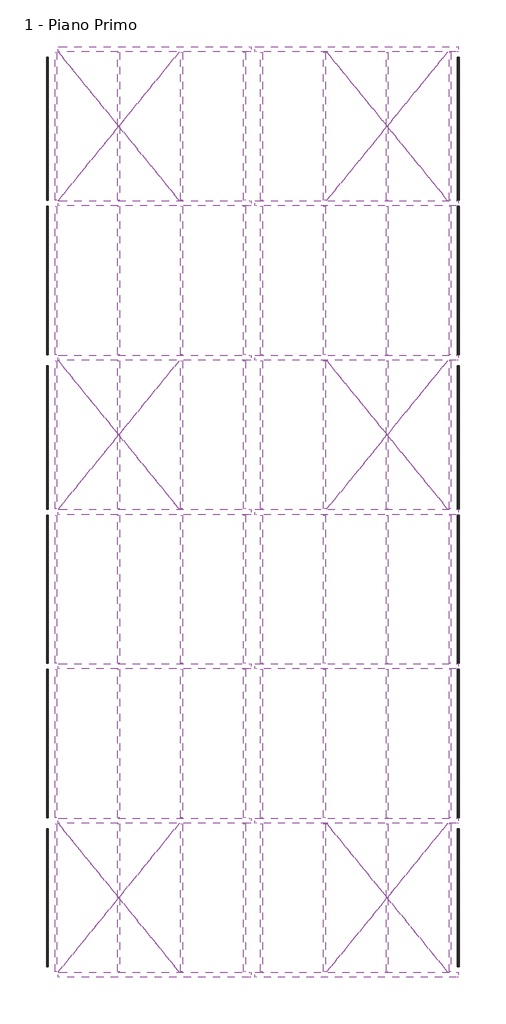
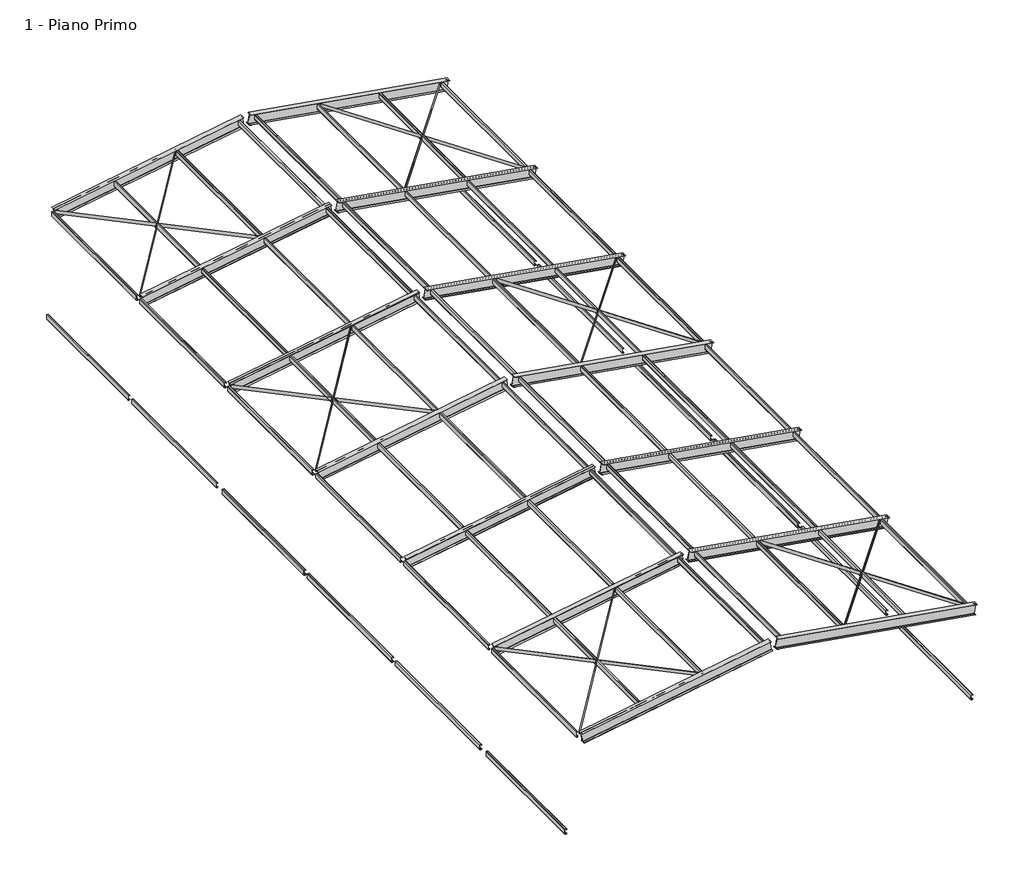
# One storey: 86 beams.
"""IFC4 building model written with IfcOpenShell, lengths in millimetres."""

import ifcopenshell
import ifcopenshell.guid

model = None  # the IFC model being written
_history = None  # IfcOwnerHistory: only IFC2X3 demands one
_inside = {}  # id of a spatial element -> (the spatial element, [elements in it])
_under = {}  # id of a project, library or spatial element -> (it, [spatial elements below it])
_declared = {}  # id of a project -> (the project, [libraries it declares])
_typed = {}  # id of a type object -> (the type object, [elements of that type])
_made_of = {}  # id of a material, layer set ... -> (it, [elements and type objects made of it])


def new_model(schema):
    """Start an empty IFC model of exactly this schema.

    Asked for "IFC4X3", IfcOpenShell would pick the latest addendum, in which some entities
    have other attributes; the version numbers below select the first issue.
    IFC2X3 requires an IfcOwnerHistory on every rooted entity: one is made here for all.
    """
    global model, _history
    if schema == "IFC4X3":
        model = ifcopenshell.file(schema_version=(4, 3, 0, 0))
    else:
        model = ifcopenshell.file(schema=schema)
    _inside.clear()
    _under.clear()
    _declared.clear()
    _typed.clear()
    _made_of.clear()
    _history = None
    if model.schema == "IFC2X3":
        org = make("IfcOrganization", Name="unknown")
        user = make(
            "IfcPersonAndOrganization",
            ThePerson=make("IfcPerson", FamilyName="unknown"),
            TheOrganization=org,
        )
        app = make(
            "IfcApplication",
            ApplicationDeveloper=org,
            Version="unknown",
            ApplicationFullName="unknown",
            ApplicationIdentifier="unknown",
        )
        _history = make(
            "IfcOwnerHistory",
            OwningUser=user,
            OwningApplication=app,
            ChangeAction="ADDED",
            CreationDate=0,
        )
    return model


def make(cls, **values):
    """One entity of the class cls with the attributes given. An attribute that is None is left unset."""
    return model.create_entity(
        cls, **{name: value for name, value in values.items() if value is not None}
    )


def rooted(cls, **values):
    """An entity with a GlobalId (a new one), such as an element, a storey or a relation."""
    return make(cls, GlobalId=ifcopenshell.guid.new(), OwnerHistory=_history, **values)


def si_unit(unit_type, name, prefix=None):
    """IfcSIUnit, for example si_unit("LENGTHUNIT", "METRE", prefix="MILLI")."""
    return make("IfcSIUnit", UnitType=unit_type, Prefix=prefix, Name=name)


def assignment(units):
    """IfcUnitAssignment: the units of a project."""
    return None if units is None else make("IfcUnitAssignment", Units=units)


def point(xyz):
    """IfcCartesianPoint."""
    return None if xyz is None else make("IfcCartesianPoint", Coordinates=xyz)


def direction(xyz):
    """IfcDirection."""
    return None if xyz is None else make("IfcDirection", DirectionRatios=xyz)


def frame(location, z_axis=None, x_axis=None):
    """IfcAxis2Placement3D, a coordinate frame: its origin and axes. An axis left out is left unset."""
    return make(
        "IfcAxis2Placement3D",
        Location=point(location),
        Axis=direction(z_axis),
        RefDirection=direction(x_axis),
    )


def frame_2d(location, x_axis=None):
    """IfcAxis2Placement2D, a coordinate frame in the plane: its origin and x axis."""
    return make(
        "IfcAxis2Placement2D", Location=point(location), RefDirection=direction(x_axis)
    )


def origin():
    """The frame at (0, 0, 0) with its axes left unset."""
    return frame((0.0, 0.0, 0.0))


def place(relative_to, where):
    """IfcLocalPlacement: puts the frame where relative to a parent placement (None: the world)."""
    return make(
        "IfcLocalPlacement", PlacementRelTo=relative_to, RelativePlacement=where
    )


def context(
    kind, dimensions, precision=None, world=None, true_north=None, identifier=None
):
    """IfcGeometricRepresentationContext, for example the 3D "Model" context."""
    return make(
        "IfcGeometricRepresentationContext",
        ContextIdentifier=identifier,
        ContextType=kind,
        CoordinateSpaceDimension=dimensions,
        Precision=precision,
        WorldCoordinateSystem=world,
        TrueNorth=true_north,
    )


def project(units=None, contexts=None):
    """IfcProject with its units and contexts."""
    return rooted(
        "IfcProject",
        Name="project",
        RepresentationContexts=contexts,
        UnitsInContext=assignment(units),
    )


def spatial(cls, under=None, at=None, **own):
    """A site, building, storey or space (cls), placed at a placement, below another one or the project."""
    s = rooted(cls, ObjectPlacement=at, **own)
    if under is not None:
        _under.setdefault(under.id(), (under, []))[1].append(s)
    return s


def polyline(points):
    """IfcPolyline through the points."""
    return make("IfcPolyline", Points=[point(p) for p in points])


def circle_curve(where, radius):
    """IfcCircle in the frame where."""
    return make("IfcCircle", Position=where, Radius=radius)


def trimmed(basis, trim1, trim2, sense, master):
    """IfcTrimmedCurve: the piece of a basis curve between two trims."""
    return make(
        "IfcTrimmedCurve",
        BasisCurve=basis,
        Trim1=trim1,
        Trim2=trim2,
        SenseAgreement=sense,
        MasterRepresentation=master,
    )


def segment(curve, same_sense, transition):
    """IfcCompositeCurveSegment."""
    return make(
        "IfcCompositeCurveSegment",
        Transition=transition,
        SameSense=same_sense,
        ParentCurve=curve,
    )


def composite_curve(segments, self_intersect=None):
    """IfcCompositeCurve: segments joined end to end."""
    return make("IfcCompositeCurve", Segments=segments, SelfIntersect=self_intersect)


def outline(outer, holes=None, kind="AREA"):
    """IfcArbitraryClosedProfileDef: a profile drawn as a closed curve; with holes, ...WithVoids."""
    if holes is None:
        return make("IfcArbitraryClosedProfileDef", ProfileType=kind, OuterCurve=outer)
    return make(
        "IfcArbitraryProfileDefWithVoids",
        ProfileType=kind,
        OuterCurve=outer,
        InnerCurves=holes,
    )


def extrude(swept, where, along, depth):
    """IfcExtrudedAreaSolid: the profile swept, set in the frame where, extruded along a direction by depth."""
    return make(
        "IfcExtrudedAreaSolid",
        SweptArea=swept,
        Position=where,
        ExtrudedDirection=direction(along),
        Depth=depth,
    )


def shape(context_of_items, identifier, shape_type, items):
    """IfcShapeRepresentation: the items that make up one representation, for example the "Body"."""
    return make(
        "IfcShapeRepresentation",
        ContextOfItems=context_of_items,
        RepresentationIdentifier=identifier,
        RepresentationType=shape_type,
        Items=items,
    )


def source(mapping_origin, context_of_items, identifier, shape_type, items):
    """IfcRepresentationMap: a shape defined once, which mapped items show again and again."""
    return make(
        "IfcRepresentationMap",
        MappingOrigin=mapping_origin,
        MappedRepresentation=shape(context_of_items, identifier, shape_type, items),
    )


def transform(
    local_origin,
    x_axis=None,
    y_axis=None,
    z_axis=None,
    scale=None,
    scale2=None,
    scale3=None,
    uniform=True,
):
    """IfcCartesianTransformationOperator3D, or its non-uniform kind. x_axis, y_axis, z_axis: its Axis1, 2, 3."""
    if uniform:
        return make(
            "IfcCartesianTransformationOperator3D",
            Axis1=direction(x_axis),
            Axis2=direction(y_axis),
            LocalOrigin=point(local_origin),
            Scale=scale,
            Axis3=direction(z_axis),
        )
    return make(
        "IfcCartesianTransformationOperator3DnonUniform",
        Axis1=direction(x_axis),
        Axis2=direction(y_axis),
        LocalOrigin=point(local_origin),
        Scale=scale,
        Axis3=direction(z_axis),
        Scale2=scale2,
        Scale3=scale3,
    )


def mapped(mapping_source, mapping_target):
    """IfcMappedItem: shows the shape of a source again, moved by a transform."""
    return make(
        "IfcMappedItem", MappingSource=mapping_source, MappingTarget=mapping_target
    )


def made_of(thing, what):
    """Note that an element or type object is made of a material, layer set ...; save() writes the relation."""
    if what is not None:
        _made_of.setdefault(what.id(), (what, []))[1].append(thing)
    return thing


def element(
    cls,
    number,
    at=None,
    inside=None,
    cuts=None,
    type_object=None,
    material=None,
    context=None,
    identifier="Body",
    shape_type=None,
    held_by="IfcProductDefinitionShape",
    body=None,
    shapes=None,
    **own,
):
    """One element of the class cls, such as IfcWall. Its Tag is "e" and its number.

    at: its placement. inside: the storey or other place that contains it. cuts: it is an
    opening in that element (IfcRelVoidsElement). A single representation is given by context,
    identifier, shape_type and body (its items); several are given by shapes. held_by: the class
    of the entity that holds the representations. save() writes the other relations.
    """
    e = rooted(cls, Tag="e%d" % number, ObjectPlacement=at, **own)
    if body is not None:
        shapes = [shape(context, identifier, shape_type, body)]
    if shapes is not None:
        e.Representation = make(held_by, Representations=shapes)
    if inside is not None:
        _inside.setdefault(inside.id(), (inside, []))[1].append(e)
    if cuts is not None:
        rooted(
            "IfcRelVoidsElement", RelatingBuildingElement=cuts, RelatedOpeningElement=e
        )
    if type_object is not None:
        _typed.setdefault(type_object.id(), (type_object, []))[1].append(e)
    return made_of(e, material)


def aggregate(whole, parts):
    """IfcRelAggregates: a whole, such as a stair, and the parts it consists of."""
    return rooted("IfcRelAggregates", RelatingObject=whole, RelatedObjects=parts)


def save(model, path):
    """Write the relations noted so far, then the file.

    IfcRelAggregates (storeys below a building ...), IfcRelContainedInSpatialStructure (elements
    in a storey), IfcRelDefinesByType, IfcRelAssociatesMaterial and IfcRelDeclares: one each for
    every whole, place, type object, material and project.
    """
    for whole, parts in _under.values():
        aggregate(whole, parts)
    for where, things in _inside.values():
        rooted(
            "IfcRelContainedInSpatialStructure",
            RelatedElements=things,
            RelatingStructure=where,
        )
    for kind, things in _typed.values():
        rooted("IfcRelDefinesByType", RelatedObjects=things, RelatingType=kind)
    for what, things in _made_of.values():
        rooted("IfcRelAssociatesMaterial", RelatedObjects=things, RelatingMaterial=what)
    for by, libraries in _declared.values():
        rooted("IfcRelDeclares", RelatingContext=by, RelatedDefinitions=libraries)
    model.write(path)


def beam_6x100_4b6457b3(model_context):
    return source(origin(), model_context, "Body", "SweptSolid", [
        extrude(outline(polyline([(2796.8253408, 3.0), (2796.8253408, -3.0), (-2807.3610437, -3.0), (-2807.3610437, 3.0), (2796.8253408, 3.0)])), frame((0.0, 0.0, -50.0), z_axis=(0.0, 0.0, 1.0), x_axis=(1.0, 0.0, 0.0)), (0.0, 0.0, 1.0), 100.0),
    ])


def beam_6x100_2a36a9b2(model_context):
    return source(origin(), model_context, "Body", "SweptSolid", [
        extrude(outline(polyline([(2807.3610437, 3.0), (2807.3610437, -3.0), (-2796.8253408, -3.0), (-2796.8253408, 3.0), (2807.3610437, 3.0)])), frame((0.0, 0.0, -50.0), z_axis=(0.0, 0.0, 1.0), x_axis=(1.0, 0.0, 0.0)), (0.0, 0.0, 1.0), 100.0),
    ])


def c150x2_0_f30c4271(model_context):
    return source(origin(), model_context, "Body", "SweptSolid", [
        extrude(outline(composite_curve([segment(polyline([(-25.5, 54.4545455), (-27.5, 54.4545455), (-27.5, 71.0)]), True, "CONTINUOUS"), segment(trimmed(circle_curve(frame_2d((-23.5, 71.0)), 4.0), [point((-27.5, 71.0))], [point((-23.5, 75.0))], False, "CARTESIAN"), True, "CONTINUOUS"), segment(polyline([(-23.5, 75.0), (23.5, 75.0)]), True, "CONTINUOUS"), segment(trimmed(circle_curve(frame_2d((23.5, 71.0)), 4.0), [point((23.5, 75.0))], [point((27.5, 71.0))], False, "CARTESIAN"), True, "CONTINUOUS"), segment(polyline([(27.5, 71.0), (27.5, -71.0)]), True, "CONTINUOUS"), segment(trimmed(circle_curve(frame_2d((23.5, -71.0)), 4.0), [point((27.5, -71.0))], [point((23.5, -75.0))], False, "CARTESIAN"), True, "CONTINUOUS"), segment(polyline([(23.5, -75.0), (-23.5, -75.0)]), True, "CONTINUOUS"), segment(trimmed(circle_curve(frame_2d((-23.5, -71.0)), 4.0), [point((-23.5, -75.0))], [point((-27.5, -71.0))], False, "CARTESIAN"), True, "CONTINUOUS"), segment(polyline([(-27.5, -71.0), (-27.5, -54.9772112), (-25.5, -54.9772112), (-25.5, -71.0)]), True, "CONTINUOUS"), segment(trimmed(circle_curve(frame_2d((-23.5, -71.0)), 2.0), [point((-25.5, -71.0))], [point((-23.5, -73.0))], True, "CARTESIAN"), True, "CONTINUOUS"), segment(polyline([(-23.5, -73.0), (23.5, -73.0)]), True, "CONTINUOUS"), segment(trimmed(circle_curve(frame_2d((23.5, -71.0)), 2.0), [point((23.5, -73.0))], [point((25.5, -71.0))], True, "CARTESIAN"), True, "CONTINUOUS"), segment(polyline([(25.5, -71.0), (25.5, 71.0)]), True, "CONTINUOUS"), segment(trimmed(circle_curve(frame_2d((23.5, 71.0)), 2.0), [point((25.5, 71.0))], [point((23.5, 73.0))], True, "CARTESIAN"), True, "CONTINUOUS"), segment(polyline([(23.5, 73.0), (-23.5, 73.0)]), True, "CONTINUOUS"), segment(trimmed(circle_curve(frame_2d((-23.5, 71.0)), 2.0), [point((-23.5, 73.0))], [point((-25.5, 71.0))], True, "CARTESIAN"), True, "CONTINUOUS"), segment(polyline([(-25.5, 71.0), (-25.5, 54.4545455)]), True, "CONTINUOUS")], self_intersect=False)), frame((-2162.3, 0.0, 0.0), z_axis=(1.0, 0.0, 0.0), x_axis=(0.0, 1.0, 0.0)), (0.0, 0.0, 1.0), 4324.6),
    ])


def c150x2_0_13958c4f(model_context):
    return source(origin(), model_context, "Body", "SweptSolid", [
        extrude(outline(composite_curve([segment(polyline([(-25.5, 54.4545455), (-27.5, 54.4545455), (-27.5, 71.0)]), True, "CONTINUOUS"), segment(trimmed(circle_curve(frame_2d((-23.5, 71.0)), 4.0), [point((-27.5, 71.0))], [point((-23.5, 75.0))], False, "CARTESIAN"), True, "CONTINUOUS"), segment(polyline([(-23.5, 75.0), (23.5, 75.0)]), True, "CONTINUOUS"), segment(trimmed(circle_curve(frame_2d((23.5, 71.0)), 4.0), [point((23.5, 75.0))], [point((27.5, 71.0))], False, "CARTESIAN"), True, "CONTINUOUS"), segment(polyline([(27.5, 71.0), (27.5, -71.0)]), True, "CONTINUOUS"), segment(trimmed(circle_curve(frame_2d((23.5, -71.0)), 4.0), [point((27.5, -71.0))], [point((23.5, -75.0))], False, "CARTESIAN"), True, "CONTINUOUS"), segment(polyline([(23.5, -75.0), (-23.5, -75.0)]), True, "CONTINUOUS"), segment(trimmed(circle_curve(frame_2d((-23.5, -71.0)), 4.0), [point((-23.5, -75.0))], [point((-27.5, -71.0))], False, "CARTESIAN"), True, "CONTINUOUS"), segment(polyline([(-27.5, -71.0), (-27.5, -54.9772112), (-25.5, -54.9772112), (-25.5, -71.0)]), True, "CONTINUOUS"), segment(trimmed(circle_curve(frame_2d((-23.5, -71.0)), 2.0), [point((-25.5, -71.0))], [point((-23.5, -73.0))], True, "CARTESIAN"), True, "CONTINUOUS"), segment(polyline([(-23.5, -73.0), (23.5, -73.0)]), True, "CONTINUOUS"), segment(trimmed(circle_curve(frame_2d((23.5, -71.0)), 2.0), [point((23.5, -73.0))], [point((25.5, -71.0))], True, "CARTESIAN"), True, "CONTINUOUS"), segment(polyline([(25.5, -71.0), (25.5, 71.0)]), True, "CONTINUOUS"), segment(trimmed(circle_curve(frame_2d((23.5, 71.0)), 2.0), [point((25.5, 71.0))], [point((23.5, 73.0))], True, "CARTESIAN"), True, "CONTINUOUS"), segment(polyline([(23.5, 73.0), (-23.5, 73.0)]), True, "CONTINUOUS"), segment(trimmed(circle_curve(frame_2d((-23.5, 71.0)), 2.0), [point((-23.5, 73.0))], [point((-25.5, 71.0))], True, "CARTESIAN"), True, "CONTINUOUS"), segment(polyline([(-25.5, 71.0), (-25.5, 54.4545455)]), True, "CONTINUOUS")], self_intersect=False)), frame((-2012.3, 0.0, 0.0), z_axis=(1.0, 0.0, 0.0), x_axis=(0.0, 1.0, 0.0)), (0.0, 0.0, 1.0), 4024.6),
    ])


def c150x2_0_06eb0d29(model_context):
    return source(origin(), model_context, "Body", "SweptSolid", [
        extrude(outline(composite_curve([segment(polyline([(-25.5, 54.4545455), (-27.5, 54.4545455), (-27.5, 71.0)]), True, "CONTINUOUS"), segment(trimmed(circle_curve(frame_2d((-23.5, 71.0)), 4.0), [point((-27.5, 71.0))], [point((-23.5, 75.0))], False, "CARTESIAN"), True, "CONTINUOUS"), segment(polyline([(-23.5, 75.0), (23.5, 75.0)]), True, "CONTINUOUS"), segment(trimmed(circle_curve(frame_2d((23.5, 71.0)), 4.0), [point((23.5, 75.0))], [point((27.5, 71.0))], False, "CARTESIAN"), True, "CONTINUOUS"), segment(polyline([(27.5, 71.0), (27.5, -71.0)]), True, "CONTINUOUS"), segment(trimmed(circle_curve(frame_2d((23.5, -71.0)), 4.0), [point((27.5, -71.0))], [point((23.5, -75.0))], False, "CARTESIAN"), True, "CONTINUOUS"), segment(polyline([(23.5, -75.0), (-23.5, -75.0)]), True, "CONTINUOUS"), segment(trimmed(circle_curve(frame_2d((-23.5, -71.0)), 4.0), [point((-23.5, -75.0))], [point((-27.5, -71.0))], False, "CARTESIAN"), True, "CONTINUOUS"), segment(polyline([(-27.5, -71.0), (-27.5, -54.9772112), (-25.5, -54.9772112), (-25.5, -71.0)]), True, "CONTINUOUS"), segment(trimmed(circle_curve(frame_2d((-23.5, -71.0)), 2.0), [point((-25.5, -71.0))], [point((-23.5, -73.0))], True, "CARTESIAN"), True, "CONTINUOUS"), segment(polyline([(-23.5, -73.0), (23.5, -73.0)]), True, "CONTINUOUS"), segment(trimmed(circle_curve(frame_2d((23.5, -71.0)), 2.0), [point((23.5, -73.0))], [point((25.5, -71.0))], True, "CARTESIAN"), True, "CONTINUOUS"), segment(polyline([(25.5, -71.0), (25.5, 71.0)]), True, "CONTINUOUS"), segment(trimmed(circle_curve(frame_2d((23.5, 71.0)), 2.0), [point((25.5, 71.0))], [point((23.5, 73.0))], True, "CARTESIAN"), True, "CONTINUOUS"), segment(polyline([(23.5, 73.0), (-23.5, 73.0)]), True, "CONTINUOUS"), segment(trimmed(circle_curve(frame_2d((-23.5, 71.0)), 2.0), [point((-23.5, 73.0))], [point((-25.5, 71.0))], True, "CARTESIAN"), True, "CONTINUOUS"), segment(polyline([(-25.5, 71.0), (-25.5, 54.4545455)]), True, "CONTINUOUS")], self_intersect=False)), frame((-2162.3, 0.0, 0.0), z_axis=(1.0, 0.0, 0.0), x_axis=(0.0, 1.0, 0.0)), (0.0, 0.0, 1.0), 4174.6),
    ])


def travi_ipe_ed_28d0e4d3(model_context):
    return source(origin(), model_context, "Body", "SweptSolid", [
        extrude(outline(composite_curve([segment(polyline([(75.0, -147.0), (75.0, -150.0), (-75.0, -150.0), (-75.0, -147.0), (-8.5, -147.0)]), True, "CONTINUOUS"), segment(trimmed(circle_curve(frame_2d((-8.5, -140.0)), 7.0), [point((-8.5, -147.0))], [point((-1.5, -140.0))], True, "CARTESIAN"), True, "CONTINUOUS"), segment(polyline([(-1.5, -140.0), (-1.5, 140.0)]), True, "CONTINUOUS"), segment(trimmed(circle_curve(frame_2d((-8.5, 140.0)), 7.0), [point((-1.5, 140.0))], [point((-8.5, 147.0))], True, "CARTESIAN"), True, "CONTINUOUS"), segment(polyline([(-8.5, 147.0), (-75.0, 147.0), (-75.0, 150.0), (75.0, 150.0), (75.0, 147.0), (8.5, 147.0)]), True, "CONTINUOUS"), segment(trimmed(circle_curve(frame_2d((8.5, 140.0)), 7.0), [point((8.5, 147.0))], [point((1.5, 140.0))], True, "CARTESIAN"), True, "CONTINUOUS"), segment(polyline([(1.5, 140.0), (1.5, -140.0)]), True, "CONTINUOUS"), segment(trimmed(circle_curve(frame_2d((8.5, -140.0)), 7.0), [point((1.5, -140.0))], [point((8.5, -147.0))], True, "CARTESIAN"), True, "CONTINUOUS"), segment(polyline([(8.5, -147.0), (75.0, -147.0)]), True, "CONTINUOUS")], self_intersect=False)), frame((-2724.5431386, 0.0, 0.0), z_axis=(1.0, 0.0, 0.0), x_axis=(0.0, 1.0, 0.0)), (0.0, 0.0, 1.0), 5655.9271065),
    ])


def travi_ipe_ed_ebf03dbe(model_context):
    return source(origin(), model_context, "Body", "SweptSolid", [
        extrude(outline(composite_curve([segment(polyline([(75.0, -147.0), (75.0, -150.0), (-75.0, -150.0), (-75.0, -147.0), (-8.5, -147.0)]), True, "CONTINUOUS"), segment(trimmed(circle_curve(frame_2d((-8.5, -140.0)), 7.0), [point((-8.5, -147.0))], [point((-1.5, -140.0))], True, "CARTESIAN"), True, "CONTINUOUS"), segment(polyline([(-1.5, -140.0), (-1.5, 140.0)]), True, "CONTINUOUS"), segment(trimmed(circle_curve(frame_2d((-8.5, 140.0)), 7.0), [point((-1.5, 140.0))], [point((-8.5, 147.0))], True, "CARTESIAN"), True, "CONTINUOUS"), segment(polyline([(-8.5, 147.0), (-75.0, 147.0), (-75.0, 150.0), (75.0, 150.0), (75.0, 147.0), (8.5, 147.0)]), True, "CONTINUOUS"), segment(trimmed(circle_curve(frame_2d((8.5, 140.0)), 7.0), [point((8.5, 147.0))], [point((1.5, 140.0))], True, "CARTESIAN"), True, "CONTINUOUS"), segment(polyline([(1.5, 140.0), (1.5, -140.0)]), True, "CONTINUOUS"), segment(trimmed(circle_curve(frame_2d((8.5, -140.0)), 7.0), [point((1.5, -140.0))], [point((8.5, -147.0))], True, "CARTESIAN"), True, "CONTINUOUS"), segment(polyline([(8.5, -147.0), (75.0, -147.0)]), True, "CONTINUOUS")], self_intersect=False)), frame((-3028.6812645, 0.0, 0.0), z_axis=(1.0, 0.0, 0.0), x_axis=(0.0, 1.0, 0.0)), (0.0, 0.0, 1.0), 5960.0652324),
    ])


model = new_model("IFC4")

# Units and contexts
model_context = context("Model", 3, world=origin())
ifc_project = project(units=[si_unit("LENGTHUNIT", "METRE", prefix="MILLI")], contexts=[model_context])

# Site, building, storey
site = spatial("IfcSite", under=ifc_project)
building = spatial("IfcBuilding", under=site)
storey = spatial("IfcBuildingStorey", under=building, Name="1 - Piano Primo", Elevation=3100.0)

# Beams
placement = place(None, origin())
beam_6x100_shape = beam_6x100_4b6457b3(model_context)
element("IfcBeam", 1, ObjectType="6x100", at=placement, inside=storey, context=model_context, shape_type="MappedRepresentation", body=[
    mapped(beam_6x100_shape, transform((2085.5111953, 2254.0593401, 6297.3084625), x_axis=(0.6286626909970081, 0.770587423389362, 0.1047771151661681), y_axis=(-0.7748524206542343, 0.6321421724630257, 0.0), z_axis=(-0.06623403320555013, -0.08118680131567282, 0.994495729572257))),
])
element("IfcBeam", 2, ObjectType="6x100", at=placement, inside=storey, context=model_context, shape_type="MappedRepresentation", body=[
    mapped(beam_6x100_shape, transform((9914.4888047, 2254.0593401, 6297.3084625), x_axis=(-0.6286626909970081, 0.7705874233893619, 0.10477711516616808), y_axis=(-0.7748524206542342, -0.6321421724630257, 0.0), z_axis=(0.06623403320555013, -0.08118680131567281, 0.994495729572257))),
])
element("IfcBeam", 3, ObjectType="6x100", at=placement, inside=storey, context=model_context, shape_type="MappedRepresentation", body=[
    mapped(beam_6x100_shape, transform((2085.5111953, 15754.0593401, 6297.3084625), x_axis=(0.6286626909970081, 0.770587423389362, 0.1047771151661681), y_axis=(-0.7748524206542343, 0.6321421724630257, 0.0), z_axis=(-0.06623403320555013, -0.08118680131567282, 0.994495729572257))),
])
element("IfcBeam", 4, ObjectType="6x100", at=placement, inside=storey, context=model_context, shape_type="MappedRepresentation", body=[
    mapped(beam_6x100_shape, transform((9914.4888047, 15754.0593401, 6297.3084625), x_axis=(-0.6286626909970081, 0.7705874233893619, 0.10477711516616808), y_axis=(-0.7748524206542342, -0.6321421724630257, 0.0), z_axis=(0.06623403320555013, -0.08118680131567281, 0.994495729572257))),
])
element("IfcBeam", 5, ObjectType="6x100", at=placement, inside=storey, context=model_context, shape_type="MappedRepresentation", body=[
    mapped(beam_6x100_shape, transform((2085.5111953, 24754.0593401, 6297.3084625), x_axis=(0.6286626909970081, 0.770587423389362, 0.1047771151661681), y_axis=(-0.7748524206542343, 0.6321421724630257, 0.0), z_axis=(-0.06623403320555013, -0.08118680131567282, 0.994495729572257))),
])
element("IfcBeam", 6, ObjectType="6x100", at=placement, inside=storey, context=model_context, shape_type="MappedRepresentation", body=[
    mapped(beam_6x100_shape, transform((9914.4888047, 24754.0593401, 6297.3084625), x_axis=(-0.6286626909970081, 0.7705874233893619, 0.10477711516616808), y_axis=(-0.7748524206542342, -0.6321421724630257, 0.0), z_axis=(0.06623403320555013, -0.08118680131567281, 0.994495729572257))),
])
beam_6x100_2_shape = beam_6x100_2a36a9b2(model_context)
element("IfcBeam", 7, ObjectType="6x100", at=placement, inside=storey, context=model_context, shape_type="MappedRepresentation", body=[
    mapped(beam_6x100_2_shape, transform((2085.5111953, 2245.9406599, 6297.3084625), x_axis=(-0.6286626909970081, 0.770587423389362, -0.1047771151661681), y_axis=(-0.7748524206542343, -0.6321421724630257, 0.0), z_axis=(-0.06623403320555013, 0.08118680131567282, 0.994495729572257))),
])
element("IfcBeam", 8, ObjectType="6x100", at=placement, inside=storey, context=model_context, shape_type="MappedRepresentation", body=[
    mapped(beam_6x100_2_shape, transform((9914.4888047, 2245.9406599, 6297.3084625), x_axis=(0.6286626909970081, 0.7705874233893619, -0.10477711516616808), y_axis=(-0.7748524206542342, 0.6321421724630257, 0.0), z_axis=(0.06623403320555013, 0.08118680131567278, 0.994495729572257))),
])
element("IfcBeam", 9, ObjectType="6x100", at=placement, inside=storey, context=model_context, shape_type="MappedRepresentation", body=[
    mapped(beam_6x100_2_shape, transform((2085.5111953, 15745.9406599, 6297.3084625), x_axis=(-0.6286626909970081, 0.770587423389362, -0.1047771151661681), y_axis=(-0.7748524206542343, -0.6321421724630257, 0.0), z_axis=(-0.06623403320555013, 0.08118680131567282, 0.994495729572257))),
])
element("IfcBeam", 10, ObjectType="6x100", at=placement, inside=storey, context=model_context, shape_type="MappedRepresentation", body=[
    mapped(beam_6x100_2_shape, transform((9914.4888047, 15745.9406599, 6297.3084625), x_axis=(0.6286626909970081, 0.7705874233893619, -0.10477711516616808), y_axis=(-0.7748524206542342, 0.6321421724630257, 0.0), z_axis=(0.06623403320555014, 0.0811868013156728, 0.994495729572257))),
])
element("IfcBeam", 11, ObjectType="6x100", at=placement, inside=storey, context=model_context, shape_type="MappedRepresentation", body=[
    mapped(beam_6x100_2_shape, transform((2085.5111953, 24745.9406599, 6297.3084625), x_axis=(-0.6286626909970081, 0.770587423389362, -0.1047771151661681), y_axis=(-0.7748524206542343, -0.6321421724630257, 0.0), z_axis=(-0.06623403320555013, 0.08118680131567282, 0.994495729572257))),
])
element("IfcBeam", 12, ObjectType="6x100", at=placement, inside=storey, context=model_context, shape_type="MappedRepresentation", body=[
    mapped(beam_6x100_2_shape, transform((9914.4888047, 24745.9406599, 6297.3084625), x_axis=(0.6286626909970081, 0.7705874233893619, -0.10477711516616808), y_axis=(-0.7748524206542342, 0.6321421724630257, 0.0), z_axis=(0.06623403320555014, 0.0811868013156728, 0.994495729572257))),
])
c150x2_0_shape = c150x2_0_f30c4271(model_context)
element("IfcBeam", 13, ObjectType="C150X2.0", at=placement, inside=storey, context=model_context, shape_type="MappedRepresentation", body=[
    mapped(c150x2_0_shape, transform((246.598481, 2250.0, 5966.0997468), x_axis=(0.0, 1.0, 0.0), y_axis=(-1.0, 0.0, 0.0), z_axis=(0.0, 0.0, 1.0))),
])
element("IfcBeam", 14, ObjectType="C150X2.0", at=placement, inside=storey, context=model_context, shape_type="MappedRepresentation", body=[
    mapped(c150x2_0_shape, transform((2082.1994937, 2250.0, 6272.0332489), x_axis=(0.0, 1.0, 0.0), y_axis=(-1.0, 0.0, 0.0), z_axis=(0.0, 0.0, 1.0))),
])
element("IfcBeam", 15, ObjectType="C150X2.0", at=placement, inside=storey, context=model_context, shape_type="MappedRepresentation", body=[
    mapped(c150x2_0_shape, transform((3917.8005063, 2250.0, 6577.9667511), x_axis=(0.0, 1.0, 0.0), y_axis=(-1.0, 0.0, 0.0), z_axis=(0.0, 0.0, 1.0))),
])
element("IfcBeam", 16, ObjectType="C150X2.0", at=placement, inside=storey, context=model_context, shape_type="MappedRepresentation", body=[
    mapped(c150x2_0_shape, transform((5753.401519, 2250.0, 6883.9002532), x_axis=(0.0, 1.0, 0.0), y_axis=(-1.0, 0.0, 0.0), z_axis=(0.0, 0.0, 1.0))),
])
element("IfcBeam", 17, ObjectType="C150X2.0", at=placement, inside=storey, context=model_context, shape_type="MappedRepresentation", body=[
    mapped(c150x2_0_shape, transform((246.598481, 6750.0, 5966.0997468), x_axis=(0.0, 1.0, 0.0), y_axis=(-1.0, 0.0, 0.0), z_axis=(0.0, 0.0, 1.0))),
])
element("IfcBeam", 18, ObjectType="C150X2.0", at=placement, inside=storey, context=model_context, shape_type="MappedRepresentation", body=[
    mapped(c150x2_0_shape, transform((2082.1994937, 6750.0, 6272.0332489), x_axis=(0.0, 1.0, 0.0), y_axis=(-1.0, 0.0, 0.0), z_axis=(0.0, 0.0, 1.0))),
])
element("IfcBeam", 19, ObjectType="C150X2.0", at=placement, inside=storey, context=model_context, shape_type="MappedRepresentation", body=[
    mapped(c150x2_0_shape, transform((3917.8005063, 6750.0, 6577.9667511), x_axis=(0.0, 1.0, 0.0), y_axis=(-1.0, 0.0, 0.0), z_axis=(0.0, 0.0, 1.0))),
])
element("IfcBeam", 20, ObjectType="C150X2.0", at=placement, inside=storey, context=model_context, shape_type="MappedRepresentation", body=[
    mapped(c150x2_0_shape, transform((5753.401519, 6750.0, 6883.9002532), x_axis=(0.0, 1.0, 0.0), y_axis=(-1.0, 0.0, 0.0), z_axis=(0.0, 0.0, 1.0))),
])
element("IfcBeam", 21, ObjectType="C150X2.0", at=placement, inside=storey, context=model_context, shape_type="MappedRepresentation", body=[
    mapped(c150x2_0_shape, transform((246.598481, 11250.0, 5966.0997468), x_axis=(0.0, 1.0, 0.0), y_axis=(-1.0, 0.0, 0.0), z_axis=(0.0, 0.0, 1.0))),
])
element("IfcBeam", 22, ObjectType="C150X2.0", at=placement, inside=storey, context=model_context, shape_type="MappedRepresentation", body=[
    mapped(c150x2_0_shape, transform((2082.1994937, 11250.0, 6272.0332489), x_axis=(0.0, 1.0, 0.0), y_axis=(-1.0, 0.0, 0.0), z_axis=(0.0, 0.0, 1.0))),
])
element("IfcBeam", 23, ObjectType="C150X2.0", at=placement, inside=storey, context=model_context, shape_type="MappedRepresentation", body=[
    mapped(c150x2_0_shape, transform((3917.8005063, 11250.0, 6577.9667511), x_axis=(0.0, 1.0, 0.0), y_axis=(-1.0, 0.0, 0.0), z_axis=(0.0, 0.0, 1.0))),
])
element("IfcBeam", 24, ObjectType="C150X2.0", at=placement, inside=storey, context=model_context, shape_type="MappedRepresentation", body=[
    mapped(c150x2_0_shape, transform((5753.401519, 11250.0, 6883.9002532), x_axis=(0.0, 1.0, 0.0), y_axis=(-1.0, 0.0, 0.0), z_axis=(0.0, 0.0, 1.0))),
])
element("IfcBeam", 25, ObjectType="C150X2.0", at=placement, inside=storey, context=model_context, shape_type="MappedRepresentation", body=[
    mapped(c150x2_0_shape, transform((246.598481, 15750.0, 5966.0997468), x_axis=(0.0, 1.0, 0.0), y_axis=(-1.0, 0.0, 0.0), z_axis=(0.0, 0.0, 1.0))),
])
element("IfcBeam", 26, ObjectType="C150X2.0", at=placement, inside=storey, context=model_context, shape_type="MappedRepresentation", body=[
    mapped(c150x2_0_shape, transform((2082.1994937, 15750.0, 6272.0332489), x_axis=(0.0, 1.0, 0.0), y_axis=(-1.0, 0.0, 0.0), z_axis=(0.0, 0.0, 1.0))),
])
element("IfcBeam", 27, ObjectType="C150X2.0", at=placement, inside=storey, context=model_context, shape_type="MappedRepresentation", body=[
    mapped(c150x2_0_shape, transform((3917.8005063, 15750.0, 6577.9667511), x_axis=(0.0, 1.0, 0.0), y_axis=(-1.0, 0.0, 0.0), z_axis=(0.0, 0.0, 1.0))),
])
element("IfcBeam", 28, ObjectType="C150X2.0", at=placement, inside=storey, context=model_context, shape_type="MappedRepresentation", body=[
    mapped(c150x2_0_shape, transform((5753.401519, 15750.0, 6883.9002532), x_axis=(0.0, 1.0, 0.0), y_axis=(-1.0, 0.0, 0.0), z_axis=(0.0, 0.0, 1.0))),
])
element("IfcBeam", 29, ObjectType="C150X2.0", at=placement, inside=storey, context=model_context, shape_type="MappedRepresentation", body=[
    mapped(c150x2_0_shape, transform((246.598481, 20250.0, 5966.0997468), x_axis=(0.0, 1.0, 0.0), y_axis=(-1.0, 0.0, 0.0), z_axis=(0.0, 0.0, 1.0))),
])
element("IfcBeam", 30, ObjectType="C150X2.0", at=placement, inside=storey, context=model_context, shape_type="MappedRepresentation", body=[
    mapped(c150x2_0_shape, transform((2082.1994937, 20250.0, 6272.0332489), x_axis=(0.0, 1.0, 0.0), y_axis=(-1.0, 0.0, 0.0), z_axis=(0.0, 0.0, 1.0))),
])
element("IfcBeam", 31, ObjectType="C150X2.0", at=placement, inside=storey, context=model_context, shape_type="MappedRepresentation", body=[
    mapped(c150x2_0_shape, transform((3917.8005063, 20250.0, 6577.9667511), x_axis=(0.0, 1.0, 0.0), y_axis=(-1.0, 0.0, 0.0), z_axis=(0.0, 0.0, 1.0))),
])
element("IfcBeam", 32, ObjectType="C150X2.0", at=placement, inside=storey, context=model_context, shape_type="MappedRepresentation", body=[
    mapped(c150x2_0_shape, transform((5753.401519, 20250.0, 6883.9002532), x_axis=(0.0, 1.0, 0.0), y_axis=(-1.0, 0.0, 0.0), z_axis=(0.0, 0.0, 1.0))),
])
element("IfcBeam", 33, ObjectType="C150X2.0", at=placement, inside=storey, context=model_context, shape_type="MappedRepresentation", body=[
    mapped(c150x2_0_shape, transform((246.598481, 24750.0, 5966.0997468), x_axis=(0.0, 1.0, 0.0), y_axis=(-1.0, 0.0, 0.0), z_axis=(0.0, 0.0, 1.0))),
])
element("IfcBeam", 34, ObjectType="C150X2.0", at=placement, inside=storey, context=model_context, shape_type="MappedRepresentation", body=[
    mapped(c150x2_0_shape, transform((2082.1994937, 24750.0, 6272.0332489), x_axis=(0.0, 1.0, 0.0), y_axis=(-1.0, 0.0, 0.0), z_axis=(0.0, 0.0, 1.0))),
])
element("IfcBeam", 35, ObjectType="C150X2.0", at=placement, inside=storey, context=model_context, shape_type="MappedRepresentation", body=[
    mapped(c150x2_0_shape, transform((3917.8005063, 24750.0, 6577.9667511), x_axis=(0.0, 1.0, 0.0), y_axis=(-1.0, 0.0, 0.0), z_axis=(0.0, 0.0, 1.0))),
])
element("IfcBeam", 36, ObjectType="C150X2.0", at=placement, inside=storey, context=model_context, shape_type="MappedRepresentation", body=[
    mapped(c150x2_0_shape, transform((5753.401519, 24750.0, 6883.9002532), x_axis=(0.0, 1.0, 0.0), y_axis=(-1.0, 0.0, 0.0), z_axis=(0.0, 0.0, 1.0))),
])
element("IfcBeam", 37, ObjectType="C150X2.0", at=placement, inside=storey, context=model_context, shape_type="MappedRepresentation", body=[
    mapped(c150x2_0_shape, transform((11753.401519, 2250.0, 5966.0997468), x_axis=(0.0, 1.0, 0.0), y_axis=(-1.0, 0.0, 0.0), z_axis=(0.0, 0.0, 1.0))),
])
element("IfcBeam", 38, ObjectType="C150X2.0", at=placement, inside=storey, context=model_context, shape_type="MappedRepresentation", body=[
    mapped(c150x2_0_shape, transform((9917.8005063, 2250.0, 6272.0332489), x_axis=(0.0, 1.0, 0.0), y_axis=(-1.0, 0.0, 0.0), z_axis=(0.0, 0.0, 1.0))),
])
element("IfcBeam", 39, ObjectType="C150X2.0", at=placement, inside=storey, context=model_context, shape_type="MappedRepresentation", body=[
    mapped(c150x2_0_shape, transform((8082.1994937, 2250.0, 6577.9667511), x_axis=(0.0, 1.0, 0.0), y_axis=(-1.0, 0.0, 0.0), z_axis=(0.0, 0.0, 1.0))),
])
element("IfcBeam", 40, ObjectType="C150X2.0", at=placement, inside=storey, context=model_context, shape_type="MappedRepresentation", body=[
    mapped(c150x2_0_shape, transform((6246.598481, 2250.0, 6883.9002532), x_axis=(0.0, 1.0, 0.0), y_axis=(-1.0, 0.0, 0.0), z_axis=(0.0, 0.0, 1.0))),
])
element("IfcBeam", 41, ObjectType="C150X2.0", at=placement, inside=storey, context=model_context, shape_type="MappedRepresentation", body=[
    mapped(c150x2_0_shape, transform((11753.401519, 6750.0, 5966.0997468), x_axis=(0.0, 1.0, 0.0), y_axis=(-1.0, 0.0, 0.0), z_axis=(0.0, 0.0, 1.0))),
])
element("IfcBeam", 42, ObjectType="C150X2.0", at=placement, inside=storey, context=model_context, shape_type="MappedRepresentation", body=[
    mapped(c150x2_0_shape, transform((9917.8005063, 6750.0, 6272.0332489), x_axis=(0.0, 1.0, 0.0), y_axis=(-1.0, 0.0, 0.0), z_axis=(0.0, 0.0, 1.0))),
])
element("IfcBeam", 43, ObjectType="C150X2.0", at=placement, inside=storey, context=model_context, shape_type="MappedRepresentation", body=[
    mapped(c150x2_0_shape, transform((8082.1994937, 6750.0, 6577.9667511), x_axis=(0.0, 1.0, 0.0), y_axis=(-1.0, 0.0, 0.0), z_axis=(0.0, 0.0, 1.0))),
])
element("IfcBeam", 44, ObjectType="C150X2.0", at=placement, inside=storey, context=model_context, shape_type="MappedRepresentation", body=[
    mapped(c150x2_0_shape, transform((6246.598481, 6750.0, 6883.9002532), x_axis=(0.0, 1.0, 0.0), y_axis=(-1.0, 0.0, 0.0), z_axis=(0.0, 0.0, 1.0))),
])
element("IfcBeam", 45, ObjectType="C150X2.0", at=placement, inside=storey, context=model_context, shape_type="MappedRepresentation", body=[
    mapped(c150x2_0_shape, transform((11753.401519, 11250.0, 5966.0997468), x_axis=(0.0, 1.0, 0.0), y_axis=(-1.0, 0.0, 0.0), z_axis=(0.0, 0.0, 1.0))),
])
element("IfcBeam", 46, ObjectType="C150X2.0", at=placement, inside=storey, context=model_context, shape_type="MappedRepresentation", body=[
    mapped(c150x2_0_shape, transform((9917.8005063, 11250.0, 6272.0332489), x_axis=(0.0, 1.0, 0.0), y_axis=(-1.0, 0.0, 0.0), z_axis=(0.0, 0.0, 1.0))),
])
element("IfcBeam", 47, ObjectType="C150X2.0", at=placement, inside=storey, context=model_context, shape_type="MappedRepresentation", body=[
    mapped(c150x2_0_shape, transform((8082.1994937, 11250.0, 6577.9667511), x_axis=(0.0, 1.0, 0.0), y_axis=(-1.0, 0.0, 0.0), z_axis=(0.0, 0.0, 1.0))),
])
element("IfcBeam", 48, ObjectType="C150X2.0", at=placement, inside=storey, context=model_context, shape_type="MappedRepresentation", body=[
    mapped(c150x2_0_shape, transform((6246.598481, 11250.0, 6883.9002532), x_axis=(0.0, 1.0, 0.0), y_axis=(-1.0, 0.0, 0.0), z_axis=(0.0, 0.0, 1.0))),
])
element("IfcBeam", 49, ObjectType="C150X2.0", at=placement, inside=storey, context=model_context, shape_type="MappedRepresentation", body=[
    mapped(c150x2_0_shape, transform((11753.401519, 15750.0, 5966.0997468), x_axis=(0.0, 1.0, 0.0), y_axis=(-1.0, 0.0, 0.0), z_axis=(0.0, 0.0, 1.0))),
])
element("IfcBeam", 50, ObjectType="C150X2.0", at=placement, inside=storey, context=model_context, shape_type="MappedRepresentation", body=[
    mapped(c150x2_0_shape, transform((9917.8005063, 15750.0, 6272.0332489), x_axis=(0.0, 1.0, 0.0), y_axis=(-1.0, 0.0, 0.0), z_axis=(0.0, 0.0, 1.0))),
])
element("IfcBeam", 51, ObjectType="C150X2.0", at=placement, inside=storey, context=model_context, shape_type="MappedRepresentation", body=[
    mapped(c150x2_0_shape, transform((8082.1994937, 15750.0, 6577.9667511), x_axis=(0.0, 1.0, 0.0), y_axis=(-1.0, 0.0, 0.0), z_axis=(0.0, 0.0, 1.0))),
])
element("IfcBeam", 52, ObjectType="C150X2.0", at=placement, inside=storey, context=model_context, shape_type="MappedRepresentation", body=[
    mapped(c150x2_0_shape, transform((6246.598481, 15750.0, 6883.9002532), x_axis=(0.0, 1.0, 0.0), y_axis=(-1.0, 0.0, 0.0), z_axis=(0.0, 0.0, 1.0))),
])
element("IfcBeam", 53, ObjectType="C150X2.0", at=placement, inside=storey, context=model_context, shape_type="MappedRepresentation", body=[
    mapped(c150x2_0_shape, transform((11753.401519, 20250.0, 5966.0997468), x_axis=(0.0, 1.0, 0.0), y_axis=(-1.0, 0.0, 0.0), z_axis=(0.0, 0.0, 1.0))),
])
element("IfcBeam", 54, ObjectType="C150X2.0", at=placement, inside=storey, context=model_context, shape_type="MappedRepresentation", body=[
    mapped(c150x2_0_shape, transform((9917.8005063, 20250.0, 6272.0332489), x_axis=(0.0, 1.0, 0.0), y_axis=(-1.0, 0.0, 0.0), z_axis=(0.0, 0.0, 1.0))),
])
element("IfcBeam", 55, ObjectType="C150X2.0", at=placement, inside=storey, context=model_context, shape_type="MappedRepresentation", body=[
    mapped(c150x2_0_shape, transform((8082.1994937, 20250.0, 6577.9667511), x_axis=(0.0, 1.0, 0.0), y_axis=(-1.0, 0.0, 0.0), z_axis=(0.0, 0.0, 1.0))),
])
element("IfcBeam", 56, ObjectType="C150X2.0", at=placement, inside=storey, context=model_context, shape_type="MappedRepresentation", body=[
    mapped(c150x2_0_shape, transform((6246.598481, 20250.0, 6883.9002532), x_axis=(0.0, 1.0, 0.0), y_axis=(-1.0, 0.0, 0.0), z_axis=(0.0, 0.0, 1.0))),
])
element("IfcBeam", 57, ObjectType="C150X2.0", at=placement, inside=storey, context=model_context, shape_type="MappedRepresentation", body=[
    mapped(c150x2_0_shape, transform((11753.401519, 24750.0, 5966.0997468), x_axis=(0.0, 1.0, 0.0), y_axis=(-1.0, 0.0, 0.0), z_axis=(0.0, 0.0, 1.0))),
])
element("IfcBeam", 58, ObjectType="C150X2.0", at=placement, inside=storey, context=model_context, shape_type="MappedRepresentation", body=[
    mapped(c150x2_0_shape, transform((9917.8005063, 24750.0, 6272.0332489), x_axis=(0.0, 1.0, 0.0), y_axis=(-1.0, 0.0, 0.0), z_axis=(0.0, 0.0, 1.0))),
])
element("IfcBeam", 59, ObjectType="C150X2.0", at=placement, inside=storey, context=model_context, shape_type="MappedRepresentation", body=[
    mapped(c150x2_0_shape, transform((8082.1994937, 24750.0, 6577.9667511), x_axis=(0.0, 1.0, 0.0), y_axis=(-1.0, 0.0, 0.0), z_axis=(0.0, 0.0, 1.0))),
])
element("IfcBeam", 60, ObjectType="C150X2.0", at=placement, inside=storey, context=model_context, shape_type="MappedRepresentation", body=[
    mapped(c150x2_0_shape, transform((6246.598481, 24750.0, 6883.9002532), x_axis=(0.0, 1.0, 0.0), y_axis=(-1.0, 0.0, 0.0), z_axis=(0.0, 0.0, 1.0))),
])
element("IfcBeam", 61, ObjectType="C150X2.0", at=placement, inside=storey, context=model_context, shape_type="MappedRepresentation", body=[
    mapped(c150x2_0_shape, transform((0.0, 6750.0, 2925.0), x_axis=(0.0, 1.0, 0.0), y_axis=(-1.0, 0.0, 0.0), z_axis=(0.0, 0.0, 1.0))),
])
element("IfcBeam", 62, ObjectType="C150X2.0", at=placement, inside=storey, context=model_context, shape_type="MappedRepresentation", body=[
    mapped(c150x2_0_shape, transform((0.0, 11250.0, 2925.0), x_axis=(0.0, 1.0, 0.0), y_axis=(-1.0, 0.0, 0.0), z_axis=(0.0, 0.0, 1.0))),
])
element("IfcBeam", 63, ObjectType="C150X2.0", at=placement, inside=storey, context=model_context, shape_type="MappedRepresentation", body=[
    mapped(c150x2_0_shape, transform((0.0, 20250.0, 2925.0), x_axis=(0.0, 1.0, 0.0), y_axis=(-1.0, 0.0, 0.0), z_axis=(0.0, 0.0, 1.0))),
])
element("IfcBeam", 64, ObjectType="C150X2.0", at=placement, inside=storey, context=model_context, shape_type="MappedRepresentation", body=[
    mapped(c150x2_0_shape, transform((12000.0, 6750.0, 2925.0), x_axis=(0.0, 1.0, 0.0), y_axis=(-1.0, 0.0, 0.0), z_axis=(0.0, 0.0, 1.0))),
])
element("IfcBeam", 65, ObjectType="C150X2.0", at=placement, inside=storey, context=model_context, shape_type="MappedRepresentation", body=[
    mapped(c150x2_0_shape, transform((12000.0, 11250.0, 2925.0), x_axis=(0.0, 1.0, 0.0), y_axis=(-1.0, 0.0, 0.0), z_axis=(0.0, 0.0, 1.0))),
])
element("IfcBeam", 66, ObjectType="C150X2.0", at=placement, inside=storey, context=model_context, shape_type="MappedRepresentation", body=[
    mapped(c150x2_0_shape, transform((12000.0, 20250.0, 2925.0), x_axis=(0.0, 1.0, 0.0), y_axis=(-1.0, 0.0, 0.0), z_axis=(0.0, 0.0, 1.0))),
])
c150x2_0_2_shape = c150x2_0_13958c4f(model_context)
element("IfcBeam", 67, ObjectType="C150X2.0", at=placement, inside=storey, context=model_context, shape_type="MappedRepresentation", body=[
    mapped(c150x2_0_2_shape, transform((0.0, 2250.0, 2925.0), x_axis=(0.0, 1.0, 0.0), y_axis=(-1.0, 0.0, 0.0), z_axis=(0.0, 0.0, 1.0))),
])
element("IfcBeam", 68, ObjectType="C150X2.0", at=placement, inside=storey, context=model_context, shape_type="MappedRepresentation", body=[
    mapped(c150x2_0_2_shape, transform((12000.0, 2250.0, 2925.0), x_axis=(0.0, 1.0, 0.0), y_axis=(-1.0, 0.0, 0.0), z_axis=(0.0, 0.0, 1.0))),
])
c150x2_0_3_shape = c150x2_0_06eb0d29(model_context)
element("IfcBeam", 69, ObjectType="C150X2.0", at=placement, inside=storey, context=model_context, shape_type="MappedRepresentation", body=[
    mapped(c150x2_0_3_shape, transform((0.0, 15750.0, 2925.0), x_axis=(0.0, 1.0, 0.0), y_axis=(-1.0, 0.0, 0.0), z_axis=(0.0, 0.0, 1.0))),
])
element("IfcBeam", 70, ObjectType="C150X2.0", at=placement, inside=storey, context=model_context, shape_type="MappedRepresentation", body=[
    mapped(c150x2_0_3_shape, transform((0.0, 24750.0, 2925.0), x_axis=(0.0, 1.0, 0.0), y_axis=(-1.0, 0.0, 0.0), z_axis=(0.0, 0.0, 1.0))),
])
element("IfcBeam", 71, ObjectType="C150X2.0", at=placement, inside=storey, context=model_context, shape_type="MappedRepresentation", body=[
    mapped(c150x2_0_3_shape, transform((12000.0, 15750.0, 2925.0), x_axis=(0.0, 1.0, 0.0), y_axis=(-1.0, 0.0, 0.0), z_axis=(0.0, 0.0, 1.0))),
])
element("IfcBeam", 72, ObjectType="C150X2.0", at=placement, inside=storey, context=model_context, shape_type="MappedRepresentation", body=[
    mapped(c150x2_0_3_shape, transform((12000.0, 24750.0, 2925.0), x_axis=(0.0, 1.0, 0.0), y_axis=(-1.0, 0.0, 0.0), z_axis=(0.0, 0.0, 1.0))),
])
travi_ipe_ed_shape = travi_ipe_ed_28d0e4d3(model_context)
element("IfcBeam", 73, ObjectType="Travi-IPE_ED", at=placement, inside=storey, context=model_context, shape_type="MappedRepresentation", body=[
    mapped(travi_ipe_ed_shape, transform((3024.6598481, 0.0, 6352.0409114), x_axis=(0.9863939238321436, 0.0, 0.16439898730535732), y_axis=(0.0, 1.0, 0.0), z_axis=(-0.16439898730535735, 0.0, 0.9863939238321437))),
])
element("IfcBeam", 74, ObjectType="Travi-IPE_ED", at=placement, inside=storey, context=model_context, shape_type="MappedRepresentation", body=[
    mapped(travi_ipe_ed_shape, transform((3024.6598481, 4500.0, 6352.0409114), x_axis=(0.9863939238321436, 0.0, 0.16439898730535732), y_axis=(0.0, 1.0, 0.0), z_axis=(-0.16439898730535735, 0.0, 0.9863939238321437))),
])
element("IfcBeam", 75, ObjectType="Travi-IPE_ED", at=placement, inside=storey, context=model_context, shape_type="MappedRepresentation", body=[
    mapped(travi_ipe_ed_shape, transform((3024.6598481, 9000.0, 6352.0409114), x_axis=(0.9863939238321436, 0.0, 0.16439898730535732), y_axis=(0.0, 1.0, 0.0), z_axis=(-0.16439898730535735, 0.0, 0.9863939238321437))),
])
element("IfcBeam", 76, ObjectType="Travi-IPE_ED", at=placement, inside=storey, context=model_context, shape_type="MappedRepresentation", body=[
    mapped(travi_ipe_ed_shape, transform((3024.6598481, 13500.0, 6352.0409114), x_axis=(0.9863939238321436, 0.0, 0.16439898730535732), y_axis=(0.0, 1.0, 0.0), z_axis=(-0.16439898730535735, 0.0, 0.9863939238321437))),
])
element("IfcBeam", 77, ObjectType="Travi-IPE_ED", at=placement, inside=storey, context=model_context, shape_type="MappedRepresentation", body=[
    mapped(travi_ipe_ed_shape, transform((3024.6598481, 18000.0, 6352.0409114), x_axis=(0.9863939238321436, 0.0, 0.16439898730535732), y_axis=(0.0, 1.0, 0.0), z_axis=(-0.16439898730535735, 0.0, 0.9863939238321437))),
])
element("IfcBeam", 78, ObjectType="Travi-IPE_ED", at=placement, inside=storey, context=model_context, shape_type="MappedRepresentation", body=[
    mapped(travi_ipe_ed_shape, transform((3024.6598481, 22500.0, 6352.0409114), x_axis=(0.9863939238321436, 0.0, 0.16439898730535732), y_axis=(0.0, 1.0, 0.0), z_axis=(-0.16439898730535735, 0.0, 0.9863939238321437))),
])
element("IfcBeam", 79, ObjectType="Travi-IPE_ED", at=placement, inside=storey, context=model_context, shape_type="MappedRepresentation", body=[
    mapped(travi_ipe_ed_shape, transform((3024.6598481, 27000.0, 6352.0409114), x_axis=(0.9863939238321436, 0.0, 0.16439898730535732), y_axis=(0.0, 1.0, 0.0), z_axis=(-0.16439898730535735, 0.0, 0.9863939238321437))),
])
travi_ipe_ed_2_shape = travi_ipe_ed_ebf03dbe(model_context)
element("IfcBeam", 80, ObjectType="Travi-IPE_ED", at=placement, inside=storey, context=model_context, shape_type="MappedRepresentation", body=[
    mapped(travi_ipe_ed_2_shape, transform((8975.3401519, 0.0, 6352.0409114), x_axis=(-0.9863939238321436, 0.0, 0.16439898730535732), y_axis=(0.0, -1.0, 0.0), z_axis=(0.16439898730535735, 0.0, 0.9863939238321437))),
])
element("IfcBeam", 81, ObjectType="Travi-IPE_ED", at=placement, inside=storey, context=model_context, shape_type="MappedRepresentation", body=[
    mapped(travi_ipe_ed_2_shape, transform((8975.3401519, 4500.0, 6352.0409114), x_axis=(-0.9863939238321436, 0.0, 0.16439898730535732), y_axis=(0.0, -1.0, 0.0), z_axis=(0.16439898730535735, 0.0, 0.9863939238321437))),
])
element("IfcBeam", 82, ObjectType="Travi-IPE_ED", at=placement, inside=storey, context=model_context, shape_type="MappedRepresentation", body=[
    mapped(travi_ipe_ed_2_shape, transform((8975.3401519, 9000.0, 6352.0409114), x_axis=(-0.9863939238321436, 0.0, 0.16439898730535732), y_axis=(0.0, -1.0, 0.0), z_axis=(0.16439898730535735, 0.0, 0.9863939238321437))),
])
element("IfcBeam", 83, ObjectType="Travi-IPE_ED", at=placement, inside=storey, context=model_context, shape_type="MappedRepresentation", body=[
    mapped(travi_ipe_ed_2_shape, transform((8975.3401519, 13500.0, 6352.0409114), x_axis=(-0.9863939238321436, 0.0, 0.16439898730535732), y_axis=(0.0, -1.0, 0.0), z_axis=(0.16439898730535735, 0.0, 0.9863939238321437))),
])
element("IfcBeam", 84, ObjectType="Travi-IPE_ED", at=placement, inside=storey, context=model_context, shape_type="MappedRepresentation", body=[
    mapped(travi_ipe_ed_2_shape, transform((8975.3401519, 18000.0, 6352.0409114), x_axis=(-0.9863939238321436, 0.0, 0.16439898730535732), y_axis=(0.0, -1.0, 0.0), z_axis=(0.16439898730535735, 0.0, 0.9863939238321437))),
])
element("IfcBeam", 85, ObjectType="Travi-IPE_ED", at=placement, inside=storey, context=model_context, shape_type="MappedRepresentation", body=[
    mapped(travi_ipe_ed_2_shape, transform((8975.3401519, 22500.0, 6352.0409114), x_axis=(-0.9863939238321436, 0.0, 0.16439898730535732), y_axis=(0.0, -1.0, 0.0), z_axis=(0.16439898730535735, 0.0, 0.9863939238321437))),
])
element("IfcBeam", 86, ObjectType="Travi-IPE_ED", at=placement, inside=storey, context=model_context, shape_type="MappedRepresentation", body=[
    mapped(travi_ipe_ed_2_shape, transform((8975.3401519, 27000.0, 6352.0409114), x_axis=(-0.9863939238321436, 0.0, 0.16439898730535732), y_axis=(0.0, -1.0, 0.0), z_axis=(0.16439898730535735, 0.0, 0.9863939238321437))),
])

save(model, "model.ifc")
